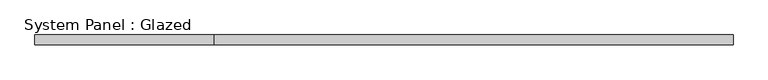
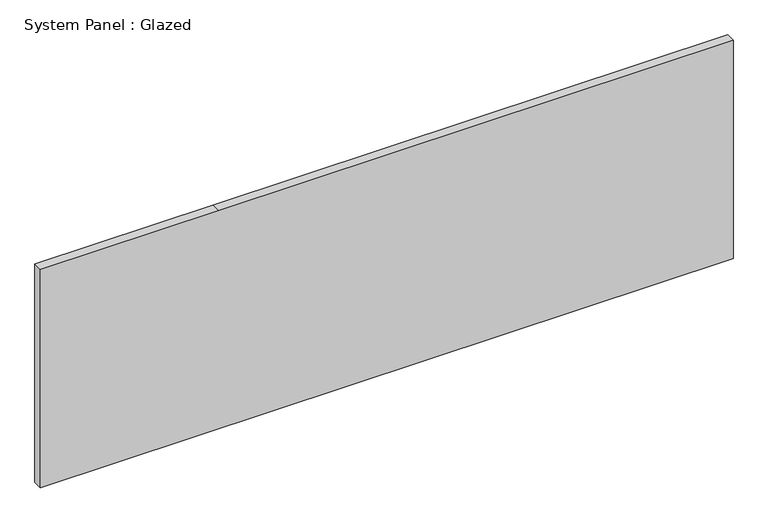
"""IFC4 building model written with IfcOpenShell, lengths in millimetres: plate geometry, System Panel : Glazed."""

from ifc_helpers import new_model, si_unit, frame, origin, place, context, project, spatial, polyline, outline, extrude, source, transform, mapped, element, save


def system_panel_glazed_015eeb37(model_context):
    return source(origin(), model_context, "Body", "SweptSolid", [
        extrude(outline(polyline([(0.0, -914.4), (0.0, 914.4), (609.6, 914.4), (609.6, -444.0733163), (609.6, -914.4), (0.0, -914.4)])), frame((0.0, 19.05, 0.0), z_axis=(0.0, 1.0, 0.0), x_axis=(0.0, 0.0, 1.0)), (0.0, 0.0, 1.0), 25.4),
    ])


if __name__ == "__main__":
    model = new_model("IFC4")
    model_context = context("Model", 3, world=origin())
    ifc_project = project(units=[si_unit("LENGTHUNIT", "METRE", prefix="MILLI")], contexts=[model_context])
    site = spatial("IfcSite", under=ifc_project)
    building = spatial("IfcBuilding", under=site)
    placement = place(None, origin())
    system_panel_glazed_shape = system_panel_glazed_015eeb37(model_context)
    element("IfcPlate", 1, ObjectType="System Panel : Glazed", at=placement, inside=building, context=model_context, shape_type="MappedRepresentation", body=[
        mapped(system_panel_glazed_shape, transform((0.0, 0.0, 0.0), x_axis=(1.0, 0.0, 0.0), y_axis=(0.0, 1.0, 0.0), z_axis=(0.0, 0.0, 1.0))),
    ])
    save(model, "model.ifc")
